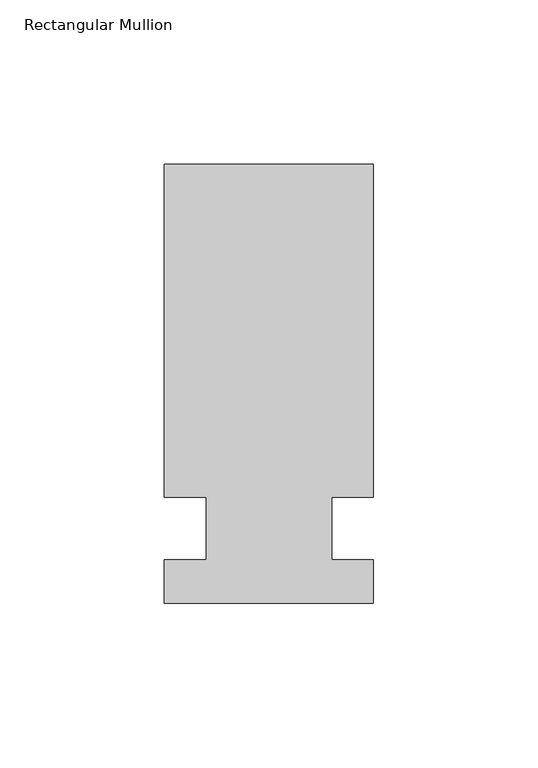
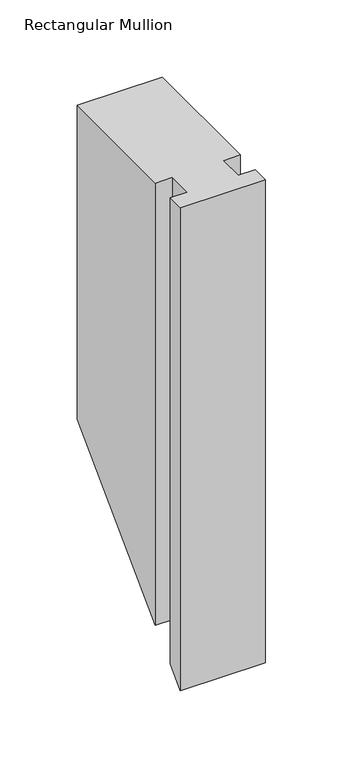
"""IFC4 building model written with IfcOpenShell, lengths in millimetres: member geometry, Rectangular Mullion."""

from ifc_helpers import new_model, si_unit, origin, place, context, project, spatial, faceted_brep, source, transform, mapped, element, save


def rectangular_mullion_41f6ce9b(model_context):
    return source(origin(), model_context, "Body", "Brep", [
        faceted_brep([(-63.5, 133.4396937, 0.0), (-63.5, 32.2460937, 0.0), (-50.8, 32.2460937, 0.0), (-50.8, 13.1960937, 0.0), (-63.5, 13.1960937, 0.0), (-63.5, 0.0134937, 0.0), (0.0, 0.0134937, 0.0), (0.0, 13.1960937, 0.0), (-12.7, 13.1960937, 0.0), (-12.7, 32.2460937, 0.0), (0.0, 32.2460937, 0.0), (0.0, 133.4396937, 0.0), (-63.5, 133.4396937, -248.0564), (-63.5, 32.2460938, -349.25), (-50.8, 32.2460937, -349.25), (-50.8, 13.1960937, -368.3), (-63.5, 13.1960937, -368.3), (-63.5, 0.0134937, -381.4826), (0.0, 0.0134937, -381.4826), (0.0, 13.1960937, -368.3), (-12.7, 13.1960937, -368.3), (-12.7, 32.2460937, -349.25), (0.0, 32.2460937, -349.25), (0.0, 133.4396937, -248.0564)], [[[0, 1, 2, 3, 4, 5, 6, 7, 8, 9, 10, 11]], [[1, 0, 12, 13]], [[2, 1, 13, 14]], [[3, 2, 14, 15]], [[4, 3, 15, 16]], [[5, 4, 16, 17]], [[6, 5, 17, 18]], [[7, 6, 18, 19]], [[8, 7, 19, 20]], [[9, 8, 20, 21]], [[10, 9, 21, 22]], [[11, 10, 22, 23]], [[0, 11, 23, 12]], [[12, 23, 22, 21, 20, 19, 18, 17, 16, 15, 14, 13]]]),
    ])


if __name__ == "__main__":
    model = new_model("IFC4")
    model_context = context("Model", 3, world=origin())
    ifc_project = project(units=[si_unit("LENGTHUNIT", "METRE", prefix="MILLI")], contexts=[model_context])
    site = spatial("IfcSite", under=ifc_project)
    building = spatial("IfcBuilding", under=site)
    placement = place(None, origin())
    rectangular_mullion_shape = rectangular_mullion_41f6ce9b(model_context)
    element("IfcMember", 1, ObjectType="Rectangular Mullion", at=placement, inside=building, context=model_context, shape_type="MappedRepresentation", body=[
        mapped(rectangular_mullion_shape, transform((0.0, 0.0, 0.0), x_axis=(1.0, 0.0, 0.0), y_axis=(0.0, 1.0, 0.0), z_axis=(0.0, 0.0, 1.0))),
    ])
    save(model, "model.ifc")
